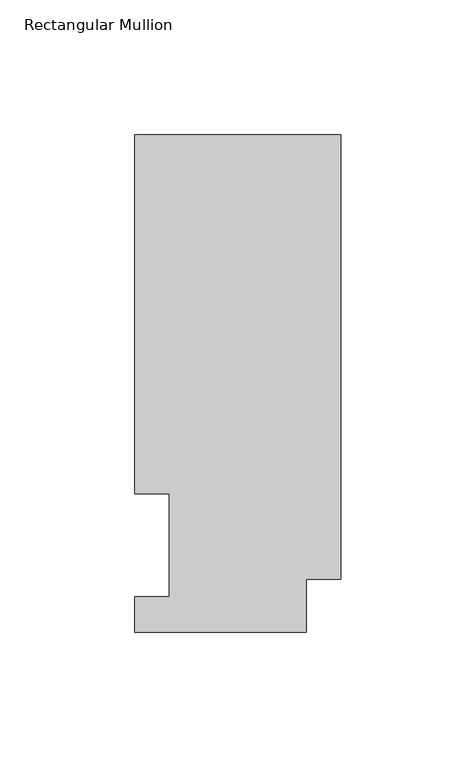
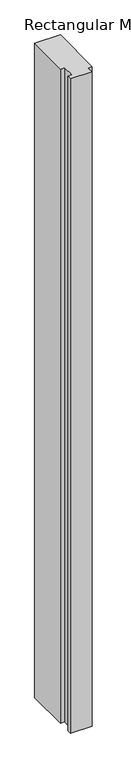
"""IFC4 building model written with IfcOpenShell, lengths in millimetres: member geometry, Rectangular Mullion."""

from ifc_helpers import new_model, si_unit, frame, origin, place, context, project, spatial, polyline, outline, extrude, source, transform, mapped, element, save


def rectangular_mullion_704787bb(model_context):
    return source(origin(), model_context, "Body", "SweptSolid", [
        extrude(outline(polyline([(-76.2, 0.0134938), (-76.2, 13.1960938), (-63.5, 13.1960938), (-63.5, 51.2960937), (-76.2, 51.2960937), (-76.2, 184.2396938), (0.0, 184.2396937), (0.0, 19.5460937), (-12.7, 19.5460937), (-12.7, 0.0134938), (-76.2, 0.0134938)])), frame((0.0, 0.0, -2057.4), z_axis=(0.0, 0.0, 1.0), x_axis=(1.0, 0.0, 0.0)), (0.0, 0.0, 1.0), 2057.4),
    ])


if __name__ == "__main__":
    model = new_model("IFC4")
    model_context = context("Model", 3, world=origin())
    ifc_project = project(units=[si_unit("LENGTHUNIT", "METRE", prefix="MILLI")], contexts=[model_context])
    site = spatial("IfcSite", under=ifc_project)
    building = spatial("IfcBuilding", under=site)
    placement = place(None, origin())
    rectangular_mullion_shape = rectangular_mullion_704787bb(model_context)
    element("IfcMember", 1, ObjectType="Rectangular Mullion", at=placement, inside=building, context=model_context, shape_type="MappedRepresentation", body=[
        mapped(rectangular_mullion_shape, transform((0.0, 0.0, 0.0), x_axis=(1.0, 0.0, 0.0), y_axis=(0.0, 1.0, 0.0), z_axis=(0.0, 0.0, 1.0))),
    ])
    save(model, "model.ifc")
